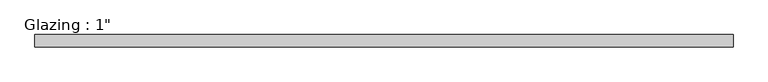
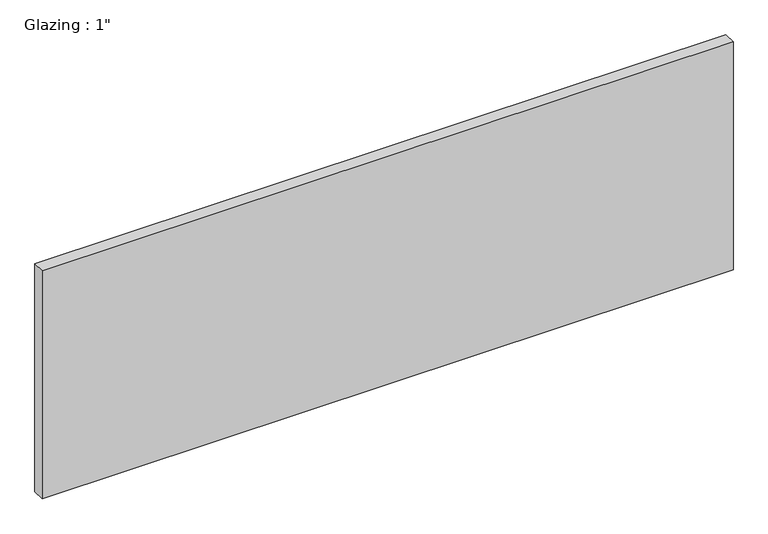
"""IFC4 building model written with IfcOpenShell, lengths in millimetres: plate geometry."""

from ifc_helpers import new_model, si_unit, origin, origin_with_axes, place, context, project, spatial, polyline, outline, extrude, source, transform, mapped, element, save


def plate_d154f4fa(model_context):
    return source(origin(), model_context, "Body", "SweptSolid", [
        extrude(outline(polyline([(713.834995, 12.7), (713.834995, -12.7), (-713.834995, -12.7), (-713.834995, 12.7), (713.834995, 12.7)])), origin_with_axes(), (0.0, 0.0, 1.0), 497.9851068),
    ])


if __name__ == "__main__":
    model = new_model("IFC4")
    model_context = context("Model", 3, world=origin())
    ifc_project = project(units=[si_unit("LENGTHUNIT", "METRE", prefix="MILLI")], contexts=[model_context])
    site = spatial("IfcSite", under=ifc_project)
    building = spatial("IfcBuilding", under=site)
    placement = place(None, origin())
    plate_shape = plate_d154f4fa(model_context)
    element("IfcPlate", 1, ObjectType="Glazing : 1\"", at=placement, inside=building, context=model_context, shape_type="MappedRepresentation", body=[
        mapped(plate_shape, transform((0.0, 0.0, 0.0), x_axis=(1.0, 0.0, 0.0), y_axis=(0.0, 1.0, 0.0), z_axis=(0.0, 0.0, 1.0))),
    ])
    save(model, "model.ifc")
